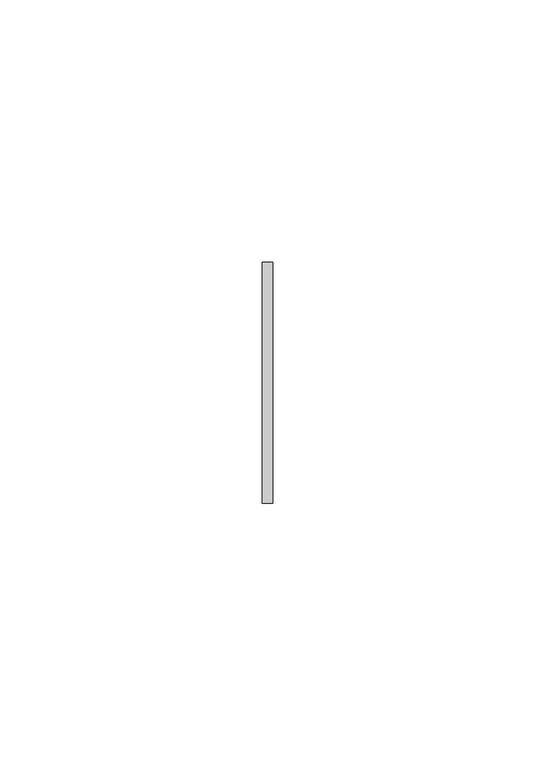
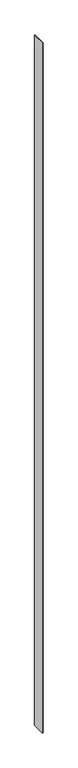
"""IFC4 building model written with IfcOpenShell, lengths in millimetres: member geometry."""

from ifc_helpers import new_model, si_unit, frame, origin, place, context, project, spatial, polyline, outline, extrude, source, transform, mapped, element, save


def member_f91501de(model_context):
    return source(origin(), model_context, "Body", "SweptSolid", [
        extrude(outline(polyline([(1.0, 23.0), (1.0, -23.0), (-1.0, -23.0), (-1.0, 23.0), (1.0, 23.0)])), frame((0.0, 0.0, -2499.0), z_axis=(0.0, 0.0, 1.0), x_axis=(1.0, 0.0, 0.0)), (0.0, 0.0, 1.0), 2499.0),
    ])


if __name__ == "__main__":
    model = new_model("IFC4")
    model_context = context("Model", 3, world=origin())
    ifc_project = project(units=[si_unit("LENGTHUNIT", "METRE", prefix="MILLI")], contexts=[model_context])
    site = spatial("IfcSite", under=ifc_project)
    building = spatial("IfcBuilding", under=site)
    placement = place(None, origin())
    member_shape = member_f91501de(model_context)
    element("IfcMember", 1, at=placement, inside=building, context=model_context, shape_type="MappedRepresentation", body=[
        mapped(member_shape, transform((0.0, 0.0, 0.0), x_axis=(1.0, 0.0, 0.0), y_axis=(0.0, 1.0, 0.0), z_axis=(0.0, 0.0, 1.0))),
    ])
    save(model, "model.ifc")
